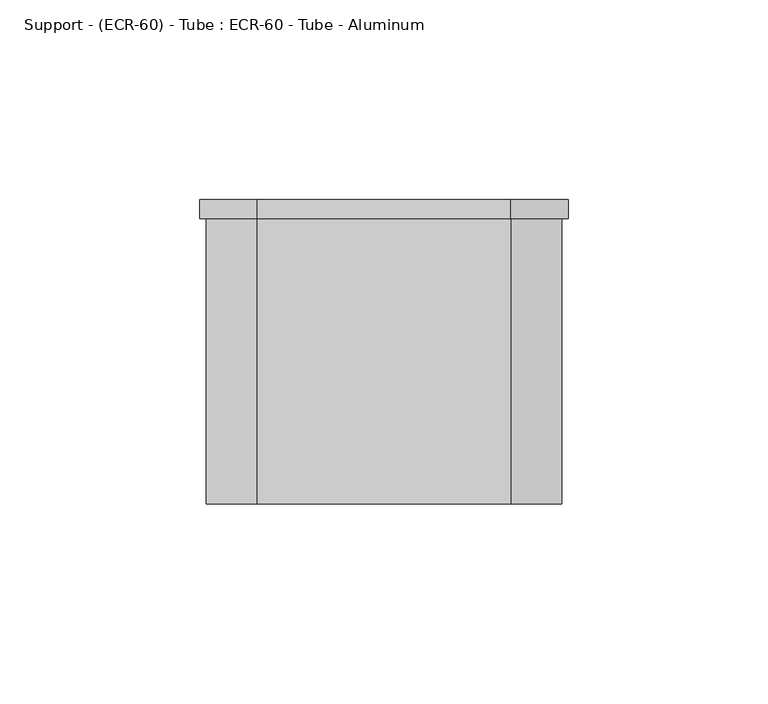
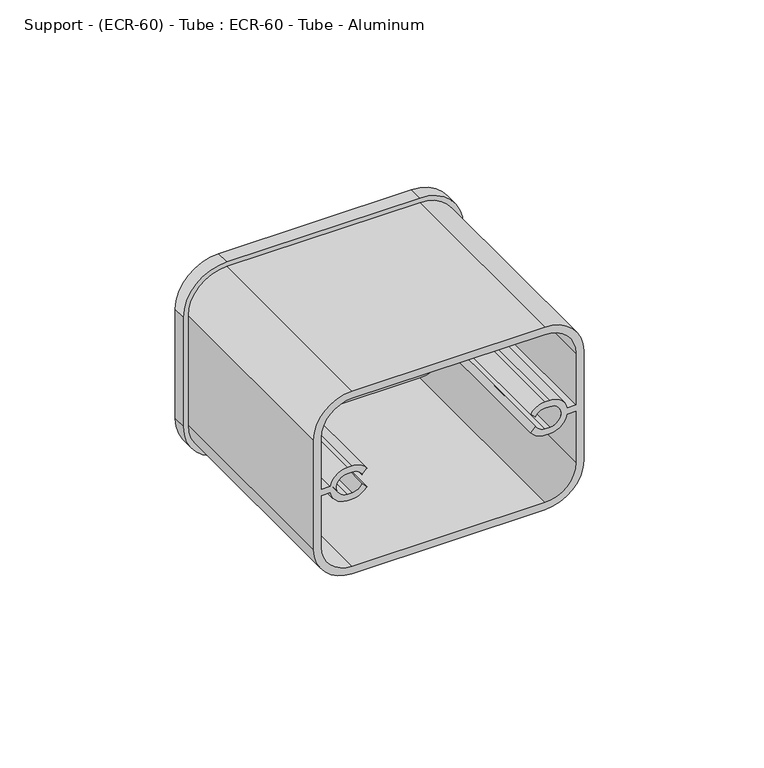
"""IFC4 building model written with IfcOpenShell, lengths in millimetres: proxy geometry, Support - (ECR-60) - Tube : ECR-60 - Tube - Aluminum."""

from ifc_helpers import new_model, si_unit, frame, origin, place, context, project, spatial, polyline, circle_curve, source, transform, mapped, element, save
from ifc_brep_helpers import plane_surface, cylinder_surface, revolved_surface, advanced_brep


def support_ecr_60_tube_ecr_60_tube_aluminum_2877acfb(model_context):
    return source(origin(), model_context, "Body", "AdvancedBrep", [
        advanced_brep(
        [(-46.0375, 74.6125, 44.45), (-31.75, 74.6125, 30.1625), (31.75, 74.6125, 30.1625), (46.0375, 74.6125, 44.45), (46.0375, 74.6125, 82.55), (31.75, 74.6125, 96.8375), (-31.75, 74.6125, 96.8375), (-46.0375, 74.6125, 82.55), (-31.75, 74.6125, 95.25), (31.75, 74.6125, 95.25), (44.45, 74.6125, 82.55), (44.45, 74.6125, 44.45), (31.75, 74.6125, 31.75), (-31.75, 74.6125, 31.75), (-44.45, 74.6125, 44.45), (-44.45, 74.6125, 82.55), (-28.5371259, 74.6125, 65.024), (-28.194, 74.6125, 63.5), (-28.5371259, 74.6125, 61.976), (-26.8620904, 74.6125, 60.3009644), (-31.7503554, 74.6125, 57.658), (-33.290701, 74.6125, 57.6581875), (-39.0665937, 74.6125, 62.357), (-41.8703125, 74.6125, 62.357), (-41.8703125, 74.6125, 44.45), (-31.75, 74.6125, 34.3296875), (31.75, 74.6125, 34.3296875), (41.8703125, 74.6125, 44.45), (41.8703125, 74.6125, 62.357), (39.0665937, 74.6125, 62.357), (33.2919266, 74.6125, 57.658178), (31.7522918, 74.6125, 57.6580001), (26.8620904, 74.6125, 60.3009644), (28.5371259, 74.6125, 61.976), (28.194, 74.6125, 63.5), (28.537126, 74.6125, 65.0240002), (26.8618755, 74.6125, 66.6992504), (31.7480468, 74.6125, 69.3419999), (33.288037, 74.6125, 69.3417903), (39.0665937, 74.6125, 64.643), (41.8703125, 74.6125, 64.643), (41.8703125, 74.6125, 82.55), (31.75, 74.6125, 92.6703125), (-31.75, 74.6125, 92.6703125), (-41.8703125, 74.6125, 82.55), (-41.8703125, 74.6125, 64.643), (-39.0665937, 74.6125, 64.643), (-33.290701, 74.6125, 69.3418125), (-31.7507108, 74.6125, 69.3419999), (-26.8618755, 74.6125, 66.6992504), (-46.0375, 79.2852417, 44.45), (-46.0375, 79.2852417, 82.55), (-31.75, 79.2852417, 96.8375), (31.75, 79.2852417, 96.8375), (46.0375, 79.2852417, 82.55), (46.0375, 79.2852417, 44.45), (31.75, 79.2852417, 30.1625), (-31.75, 79.2852417, 30.1625), (-33.3375, 79.2852417, 59.944), (-31.75, 79.2852417, 59.944), (-28.5371259, 79.2852417, 61.976), (-28.194, 79.2852417, 63.5), (-28.5371259, 79.2852417, 65.024), (-31.75, 79.2852417, 67.056), (-33.3375, 79.2852417, 67.056), (31.75, 79.2852417, 59.944), (33.3375, 79.2852417, 59.944), (33.3375, 79.2852417, 67.056), (31.75, 79.2852417, 67.056), (28.537126, 79.2852417, 65.0240002), (28.194, 79.2852417, 63.5), (28.5371259, 79.2852417, 61.976), (-33.3375, 74.6125, 67.056), (-33.3375, 74.6125, 59.944), (-31.75, 74.6125, 67.056), (-31.75, 3.175, 67.056), (-33.3375, 3.175, 67.056), (-31.75, 74.6125, 59.944), (-33.3375, 3.175, 59.944), (-31.75, 3.175, 59.944), (31.75, 74.6125, 67.056), (33.3375, 74.6125, 67.056), (33.3375002, 3.175, 67.056), (31.7500002, 3.175, 67.056), (33.3375, 74.6125, 59.944), (31.75, 74.6125, 59.944), (31.7500002, 3.175, 59.944), (33.3375002, 3.175, 59.944), (31.75, 3.175, 95.25), (-31.75, 3.175, 95.25), (-44.45, 3.175, 82.55), (-44.45, 3.175, 44.45), (-31.75, 3.175, 31.75), (31.75, 3.175, 31.75), (44.45, 3.175, 44.45), (44.45, 3.175, 82.55), (31.75, 3.175, 92.6703125), (41.8703125, 3.175, 82.55), (41.8703125, 3.175, 64.643), (39.0665937, 3.175, 64.643), (33.288037, 3.175, 69.3417903), (31.7480468, 3.175, 69.3419999), (26.8618755, 3.175, 66.6992504), (28.5371261, 3.175, 65.024), (28.5371259, 3.175, 61.976), (26.8620903, 3.175, 60.3009644), (31.7522918, 3.175, 57.6580001), (33.2919266, 3.175, 57.658178), (39.0665937, 3.175, 62.357), (41.8703125, 3.175, 62.357), (41.8703125, 3.175, 44.45), (31.75, 3.175, 34.3296875), (-31.75, 3.175, 34.3296875), (-41.8703125, 3.175, 44.45), (-41.8703125, 3.175, 62.357), (-39.0665937, 3.175, 62.357), (-33.290701, 3.175, 57.6581875), (-31.7503554, 3.175, 57.658), (-26.8620904, 3.175, 60.3009644), (-28.5371259, 3.175, 61.976), (-28.5371259, 3.175, 65.024), (-26.8618755, 3.175, 66.6992504), (-31.7507108, 3.175, 69.3419999), (-33.290701, 3.175, 69.3418125), (-39.0665937, 3.175, 64.643), (-41.8703125, 3.175, 64.643), (-41.8703125, 3.175, 82.55), (-31.75, 3.175, 92.6703125)],
        [
            (0, 1, circle_curve(frame((-31.75, 74.6125, 44.45), z_axis=(0.0, -1.0, 0.0), x_axis=(1.0, 0.0, 0.0)), 14.2875)),
            (1, 2),
            (2, 3, circle_curve(frame((31.75, 74.6125, 44.45), z_axis=(0.0, -1.0, 0.0), x_axis=(1.0, 0.0, 0.0)), 14.2875)),
            (3, 4),
            (4, 5, circle_curve(frame((31.75, 74.6125, 82.55), z_axis=(0.0, -1.0, 0.0), x_axis=(1.0, 0.0, 0.0)), 14.2875)),
            (5, 6),
            (6, 7, circle_curve(frame((-31.75, 74.6125, 82.55), z_axis=(0.0, -1.0, 0.0), x_axis=(1.0, 0.0, 0.0)), 14.2875)),
            (7, 0),
            (8, 9),
            (9, 10, circle_curve(frame((31.75, 74.6125, 82.55), z_axis=(0.0, 1.0, 0.0), x_axis=(1.0, 0.0, 0.0)), 12.7)),
            (10, 11),
            (11, 12, circle_curve(frame((31.75, 74.6125, 44.45), z_axis=(0.0, 1.0, 0.0), x_axis=(1.0, 0.0, 0.0)), 12.7)),
            (12, 13),
            (13, 14, circle_curve(frame((-31.75, 74.6125, 44.45), z_axis=(0.0, 1.0, 0.0), x_axis=(1.0, 0.0, 0.0)), 12.7)),
            (14, 15),
            (15, 8, circle_curve(frame((-31.75, 74.6125, 82.55), z_axis=(0.0, 1.0, 0.0), x_axis=(1.0, 0.0, 0.0)), 12.7)),
            (16, 17, circle_curve(frame((-31.75, 74.6125, 63.5), z_axis=(0.0, 1.0, 0.0), x_axis=(1.0, 0.0, 0.0)), 3.556)),
            (17, 18, circle_curve(frame((-31.75, 74.6125, 63.5), z_axis=(0.0, 1.0, 0.0), x_axis=(1.0, 0.0, 0.0)), 3.556)),
            (18, 19),
            (19, 20, circle_curve(frame((-31.7503554, 74.6125, 63.5), z_axis=(0.0, 1.0, 0.0), x_axis=(1.0, 0.0, 0.0)), 5.842)),
            (20, 21),
            (21, 22, circle_curve(frame((-33.3375, 74.6125, 63.5), z_axis=(0.0, 1.0, 0.0), x_axis=(1.0, 0.0, 0.0)), 5.842)),
            (22, 23),
            (23, 24),
            (24, 25, circle_curve(frame((-31.75, 74.6125, 44.45), z_axis=(0.0, -1.0, 0.0), x_axis=(1.0, 0.0, 0.0)), 10.1203125)),
            (25, 26),
            (26, 27, circle_curve(frame((31.75, 74.6125, 44.45), z_axis=(0.0, -1.0, 0.0), x_axis=(1.0, 0.0, 0.0)), 10.1203125)),
            (27, 28),
            (28, 29),
            (29, 30, circle_curve(frame((33.3375002, 74.6125, 63.5), z_axis=(0.0, 1.0, 0.0), x_axis=(1.0, 0.0, 0.0)), 5.8419998)),
            (30, 31),
            (31, 32, circle_curve(frame((31.7503556, 74.6125, 63.5), z_axis=(0.0, 1.0, 0.0), x_axis=(1.0, 0.0, 0.0)), 5.8420001)),
            (32, 33),
            (33, 34, circle_curve(frame((31.75, 74.6125, 63.5), z_axis=(0.0, 1.0, 0.0), x_axis=(1.0, 0.0, 0.0)), 3.556)),
            (34, 35, circle_curve(frame((31.75, 74.6125, 63.5), z_axis=(0.0, 1.0, 0.0), x_axis=(1.0, 0.0, 0.0)), 3.556)),
            (35, 36),
            (36, 37, circle_curve(frame((31.7500002, 74.6125, 63.5), z_axis=(0.0, 1.0, 0.0), x_axis=(1.0, 0.0, 0.0)), 5.8420002)),
            (37, 38),
            (38, 39, circle_curve(frame((33.3375002, 74.6125, 63.5), z_axis=(0.0, 1.0, 0.0), x_axis=(1.0, 0.0, 0.0)), 5.8419998)),
            (39, 40),
            (40, 41),
            (41, 42, circle_curve(frame((31.75, 74.6125, 82.55), z_axis=(0.0, -1.0, 0.0), x_axis=(1.0, 0.0, 0.0)), 10.1203125)),
            (42, 43),
            (43, 44, circle_curve(frame((-31.75, 74.6125, 82.55), z_axis=(0.0, -1.0, 0.0), x_axis=(1.0, 0.0, 0.0)), 10.1203125)),
            (44, 45),
            (45, 46),
            (46, 47, circle_curve(frame((-33.3375, 74.6125, 63.5), z_axis=(0.0, 1.0, 0.0), x_axis=(1.0, 0.0, 0.0)), 5.842)),
            (47, 48),
            (48, 49, circle_curve(frame((-31.75, 74.6125, 63.5), z_axis=(0.0, 1.0, 0.0), x_axis=(1.0, 0.0, 0.0)), 5.842)),
            (49, 16),
            (50, 51),
            (51, 52, circle_curve(frame((-31.75, 79.2852417, 82.55), z_axis=(0.0, 1.0, 0.0), x_axis=(1.0, 0.0, 0.0)), 14.2875)),
            (52, 53),
            (53, 54, circle_curve(frame((31.75, 79.2852417, 82.55), z_axis=(0.0, 1.0, 0.0), x_axis=(1.0, 0.0, 0.0)), 14.2875)),
            (54, 55),
            (55, 56, circle_curve(frame((31.75, 79.2852417, 44.45), z_axis=(0.0, 1.0, 0.0), x_axis=(1.0, 0.0, 0.0)), 14.2875)),
            (56, 57),
            (57, 50, circle_curve(frame((-31.75, 79.2852417, 44.45), z_axis=(0.0, 1.0, 0.0), x_axis=(1.0, 0.0, 0.0)), 14.2875)),
            (58, 59),
            (59, 60, circle_curve(frame((-31.75, 79.2852417, 63.5), z_axis=(0.0, -1.0, 0.0), x_axis=(1.0, 0.0, 0.0)), 3.556)),
            (60, 61, circle_curve(frame((-31.75, 79.2852417, 63.5), z_axis=(0.0, -1.0, 0.0), x_axis=(1.0, 0.0, 0.0)), 3.556)),
            (61, 62, circle_curve(frame((-31.75, 79.2852417, 63.5), z_axis=(0.0, -1.0, 0.0), x_axis=(1.0, 0.0, 0.0)), 3.556)),
            (62, 63, circle_curve(frame((-31.75, 79.2852417, 63.5), z_axis=(0.0, -1.0, 0.0), x_axis=(1.0, 0.0, 0.0)), 3.556)),
            (63, 64),
            (64, 58, circle_curve(frame((-33.3375, 79.2852417, 63.5), z_axis=(0.0, -1.0, 0.0), x_axis=(1.0, 0.0, 0.0)), 3.556)),
            (65, 66),
            (66, 67, circle_curve(frame((33.3375, 79.2852417, 63.5), z_axis=(0.0, -1.0, 0.0), x_axis=(1.0, 0.0, 0.0)), 3.556)),
            (67, 68),
            (68, 69, circle_curve(frame((31.75, 79.2852417, 63.5), z_axis=(0.0, -1.0, 0.0), x_axis=(1.0, 0.0, 0.0)), 3.556)),
            (69, 70, circle_curve(frame((31.75, 79.2852417, 63.5), z_axis=(0.0, -1.0, 0.0), x_axis=(1.0, 0.0, 0.0)), 3.556)),
            (70, 71, circle_curve(frame((31.75, 79.2852417, 63.5), z_axis=(0.0, -1.0, 0.0), x_axis=(1.0, 0.0, 0.0)), 3.556)),
            (71, 65, circle_curve(frame((31.75, 79.2852417, 63.5), z_axis=(0.0, -1.0, 0.0), x_axis=(1.0, 0.0, 0.0)), 3.556)),
            (0, 50),
            (57, 1),
            (56, 2),
            (55, 3),
            (54, 4),
            (53, 5),
            (52, 6),
            (51, 7),
            (64, 72),
            (72, 73, circle_curve(frame((-33.3375, 74.6125, 63.5), z_axis=(0.0, -1.0, 0.0), x_axis=(1.0, 0.0, 0.0)), 3.556)),
            (73, 58),
            (63, 74),
            (74, 75),
            (75, 76),
            (76, 72),
            (61, 17),
            (16, 74, circle_curve(frame((-31.75, 74.6125, 63.5), z_axis=(0.0, -1.0, 0.0), x_axis=(1.0, 0.0, 0.0)), 3.556)),
            (59, 77),
            (77, 18, circle_curve(frame((-31.75, 74.6125, 63.5), z_axis=(0.0, -1.0, 0.0), x_axis=(1.0, 0.0, 0.0)), 3.556)),
            (73, 78),
            (78, 79),
            (79, 77),
            (34, 70),
            (68, 80),
            (80, 35, circle_curve(frame((31.75, 74.6125, 63.5), z_axis=(0.0, -1.0, 0.0), x_axis=(1.0, 0.0, 0.0)), 3.556)),
            (67, 81),
            (81, 82),
            (82, 83),
            (83, 80),
            (66, 84),
            (84, 81, circle_curve(frame((33.3375, 74.6125, 63.5), z_axis=(0.0, -1.0, 0.0), x_axis=(1.0, 0.0, 0.0)), 3.556)),
            (65, 85),
            (85, 86),
            (86, 87),
            (87, 84),
            (33, 85, circle_curve(frame((31.75, 74.6125, 63.5), z_axis=(0.0, -1.0, 0.0), x_axis=(1.0, 0.0, 0.0)), 3.556)),
            (88, 89),
            (89, 90, circle_curve(frame((-31.75, 3.175, 82.55), z_axis=(0.0, -1.0, 0.0), x_axis=(1.0, 0.0, 0.0)), 12.7)),
            (90, 91),
            (91, 92, circle_curve(frame((-31.75, 3.175, 44.45), z_axis=(0.0, -1.0, 0.0), x_axis=(1.0, 0.0, 0.0)), 12.7)),
            (92, 93),
            (93, 94, circle_curve(frame((31.75, 3.175, 44.45), z_axis=(0.0, -1.0, 0.0), x_axis=(1.0, 0.0, 0.0)), 12.7)),
            (94, 95),
            (95, 88, circle_curve(frame((31.75, 3.175, 82.55), z_axis=(0.0, -1.0, 0.0), x_axis=(1.0, 0.0, 0.0)), 12.7)),
            (96, 97, circle_curve(frame((31.75, 3.175, 82.55), z_axis=(0.0, 1.0, 0.0), x_axis=(1.0, 0.0, 0.0)), 10.1203125)),
            (97, 98),
            (98, 99),
            (99, 100, circle_curve(frame((33.3375002, 3.175, 63.5), z_axis=(0.0, -1.0, 0.0), x_axis=(1.0, 0.0, 0.0)), 5.8419998)),
            (100, 101),
            (101, 102, circle_curve(frame((31.7500002, 3.175, 63.5), z_axis=(0.0, -1.0, 0.0), x_axis=(1.0, 0.0, 0.0)), 5.8420002)),
            (102, 103),
            (103, 83, circle_curve(frame((31.7500002, 3.175, 63.5), z_axis=(0.0, 1.0, 0.0), x_axis=(1.0, 0.0, 0.0)), 3.556)),
            (82, 87, circle_curve(frame((33.3375002, 3.175, 63.5), z_axis=(0.0, 1.0, 0.0), x_axis=(1.0, 0.0, 0.0)), 3.5560001)),
            (86, 104, circle_curve(frame((31.7500002, 3.175, 63.5), z_axis=(0.0, 1.0, 0.0), x_axis=(1.0, 0.0, 0.0)), 3.5560002)),
            (104, 105),
            (105, 106, circle_curve(frame((31.7503556, 3.175, 63.5), z_axis=(0.0, -1.0, 0.0), x_axis=(1.0, 0.0, 0.0)), 5.8420001)),
            (106, 107),
            (107, 108, circle_curve(frame((33.3375002, 3.175, 63.5), z_axis=(0.0, -1.0, 0.0), x_axis=(1.0, 0.0, 0.0)), 5.8419998)),
            (108, 109),
            (109, 110),
            (110, 111, circle_curve(frame((31.75, 3.175, 44.45), z_axis=(0.0, 1.0, 0.0), x_axis=(1.0, 0.0, 0.0)), 10.1203125)),
            (111, 112),
            (112, 113, circle_curve(frame((-31.75, 3.175, 44.45), z_axis=(0.0, 1.0, 0.0), x_axis=(1.0, 0.0, 0.0)), 10.1203125)),
            (113, 114),
            (114, 115),
            (115, 116, circle_curve(frame((-33.3375, 3.175, 63.5), z_axis=(0.0, -1.0, 0.0), x_axis=(1.0, 0.0, 0.0)), 5.842)),
            (116, 117),
            (117, 118, circle_curve(frame((-31.7503554, 3.175, 63.5), z_axis=(0.0, -1.0, 0.0), x_axis=(1.0, 0.0, 0.0)), 5.842)),
            (118, 119),
            (119, 79, circle_curve(frame((-31.75, 3.175, 63.5), z_axis=(0.0, 1.0, 0.0), x_axis=(1.0, 0.0, 0.0)), 3.556)),
            (78, 76, circle_curve(frame((-33.3375, 3.175, 63.5), z_axis=(0.0, 1.0, 0.0), x_axis=(1.0, 0.0, 0.0)), 3.556)),
            (75, 120, circle_curve(frame((-31.75, 3.175, 63.5), z_axis=(0.0, 1.0, 0.0), x_axis=(1.0, 0.0, 0.0)), 3.556)),
            (120, 121),
            (121, 122, circle_curve(frame((-31.75, 3.175, 63.5), z_axis=(0.0, -1.0, 0.0), x_axis=(1.0, 0.0, 0.0)), 5.842)),
            (122, 123),
            (123, 124, circle_curve(frame((-33.3375, 3.175, 63.5), z_axis=(0.0, -1.0, 0.0), x_axis=(1.0, 0.0, 0.0)), 5.842)),
            (124, 125),
            (125, 126),
            (126, 127, circle_curve(frame((-31.75, 3.175, 82.55), z_axis=(0.0, 1.0, 0.0), x_axis=(1.0, 0.0, 0.0)), 10.1203125)),
            (127, 96),
            (88, 9),
            (8, 89),
            (15, 90),
            (14, 91),
            (13, 92),
            (12, 93),
            (11, 94),
            (10, 95),
            (96, 42),
            (41, 97),
            (40, 98),
            (110, 27),
            (26, 111),
            (25, 112),
            (24, 113),
            (23, 114),
            (126, 44),
            (43, 127),
            (39, 99),
            (38, 100),
            (37, 101),
            (36, 102),
            (35, 103),
            (33, 104),
            (32, 105),
            (31, 106),
            (30, 107),
            (29, 108),
            (28, 109),
            (22, 115),
            (21, 116),
            (20, 117),
            (19, 118),
            (18, 119),
            (16, 120),
            (49, 121),
            (48, 122),
            (47, 123),
            (46, 124),
            (45, 125),
        ],
        [
            plane_surface(frame((-17.4625, 74.6125, 44.45), z_axis=(0.0, -1.0, 0.0), x_axis=(0.0, 0.0, 1.0))),
            plane_surface(frame((-17.4625, 79.2852417, 44.45), z_axis=(0.0, 1.0, 0.0), x_axis=(0.0, 0.0, -1.0))),
            cylinder_surface(frame((-31.75, 79.2852417, 44.45), z_axis=(0.0, -1.0, 0.0), x_axis=(1.0, 0.0, 0.0)), 14.2875),
            plane_surface(frame((-31.75, 74.6125, 30.1625), z_axis=(0.0, 0.0, -1.0), x_axis=(0.0, 1.0, 0.0))),
            cylinder_surface(frame((31.75, 79.2852417, 44.45), z_axis=(0.0, -1.0, 0.0), x_axis=(1.0, 0.0, 0.0)), 14.2875),
            plane_surface(frame((46.0375, 74.6125, 44.45), z_axis=(1.0, 0.0, 0.0), x_axis=(0.0, 1.0, 0.0))),
            cylinder_surface(frame((31.75, 79.2852417, 82.55), z_axis=(0.0, -1.0, 0.0), x_axis=(1.0, 0.0, 0.0)), 14.2875),
            plane_surface(frame((31.75, 74.6125, 96.8375), z_axis=(0.0, 0.0, 1.0), x_axis=(0.0, 1.0, 0.0))),
            cylinder_surface(frame((-31.75, 79.2852417, 82.55), z_axis=(0.0, -1.0, 0.0), x_axis=(1.0, 0.0, 0.0)), 14.2875),
            plane_surface(frame((-46.0375, 74.6125, 82.55), z_axis=(-1.0, 0.0, 0.0), x_axis=(0.0, 1.0, 0.0))),
            revolved_surface(polyline([(-29.781499999999998, 79.2852417, 63.5), (-29.781499999999998, 74.6125, 63.5)]), (-33.3375, 0.0, 63.5), (0.0, 1.0, 0.0)),
            plane_surface(frame((-33.3375, 74.6125, 67.056), z_axis=(0.0, 0.0, -1.0), x_axis=(0.0, 1.0, 0.0))),
            revolved_surface(polyline([(-28.194, 79.2852417, 63.5), (-28.194, 74.6125, 63.5)]), (-31.75, 0.0, 63.5), (0.0, 1.0, 0.0)),
            plane_surface(frame((-31.75, 74.6125, 59.944), z_axis=(0.0, 0.0, 1.0), x_axis=(0.0, 1.0, 0.0))),
            revolved_surface(polyline([(35.306, 79.2852417, 63.5), (35.306, 74.6125, 63.5)]), (31.75, 0.0, 63.5), (0.0, 1.0, 0.0)),
            plane_surface(frame((31.75, 74.6125, 67.056), z_axis=(0.0, 0.0, -1.0), x_axis=(0.0, 1.0, 0.0))),
            revolved_surface(polyline([(36.893499999999996, 79.2852417, 63.5), (36.893499999999996, 74.6125, 63.5)]), (33.3375, 0.0, 63.5), (0.0, 1.0, 0.0)),
            plane_surface(frame((33.3375, 74.6125, 59.944), z_axis=(0.0, 0.0, 1.0), x_axis=(0.0, 1.0, 0.0))),
            plane_surface(frame((-31.75, 3.175, 95.25), z_axis=(0.0, -1.0, 0.0), x_axis=(-1.0, 0.0, 0.0))),
            plane_surface(frame((31.75, 3.175, 95.25), z_axis=(0.0, 0.0, 1.0), x_axis=(0.0, 1.0, 0.0))),
            cylinder_surface(frame((-31.75, 79.2852417, 82.55), z_axis=(0.0, -1.0, 0.0), x_axis=(1.0, 0.0, 0.0)), 12.7),
            plane_surface(frame((-44.45, 3.175, 82.55), z_axis=(-1.0, 0.0, 0.0), x_axis=(0.0, 1.0, 0.0))),
            cylinder_surface(frame((-31.75, 79.2852417, 44.45), z_axis=(0.0, -1.0, 0.0), x_axis=(1.0, 0.0, 0.0)), 12.7),
            plane_surface(frame((-31.75, 3.175, 31.75), z_axis=(0.0, 0.0, -1.0), x_axis=(0.0, 1.0, 0.0))),
            cylinder_surface(frame((31.75, 79.2852417, 44.45), z_axis=(0.0, -1.0, 0.0), x_axis=(1.0, 0.0, 0.0)), 12.7),
            plane_surface(frame((44.45, 3.175, 44.45), z_axis=(1.0, 0.0, 0.0), x_axis=(0.0, 1.0, 0.0))),
            cylinder_surface(frame((31.75, 79.2852417, 82.55), z_axis=(0.0, -1.0, 0.0), x_axis=(1.0, 0.0, 0.0)), 12.7),
            revolved_surface(polyline([(41.8703125, 74.6125, 82.55), (41.8703125, 3.175, 82.55)]), (31.75, 0.0, 82.55), (0.0, 1.0, 0.0)),
            plane_surface(frame((41.8703125, 3.175, 82.55), z_axis=(-1.0, 0.0, 0.0), x_axis=(0.0, 1.0, 0.0))),
            revolved_surface(polyline([(41.8703125, 74.6125, 44.45), (41.8703125, 3.175, 44.45)]), (31.75, 0.0, 44.45), (0.0, 1.0, 0.0)),
            plane_surface(frame((31.75, 3.175, 34.3296875), z_axis=(0.0, 0.0, 1.0), x_axis=(0.0, 1.0, 0.0))),
            revolved_surface(polyline([(-21.6296875, 74.6125, 44.45), (-21.6296875, 3.175, 44.45)]), (-31.75, 0.0, 44.45), (0.0, 1.0, 0.0)),
            plane_surface(frame((-41.8703125, 3.175, 44.45), z_axis=(1.0, 0.0, 0.0), x_axis=(0.0, 1.0, 0.0))),
            revolved_surface(polyline([(-21.6296875, 74.6125, 82.55), (-21.6296875, 3.175, 82.55)]), (-31.75, 0.0, 82.55), (0.0, 1.0, 0.0)),
            plane_surface(frame((-31.75, 3.175, 92.6703125), z_axis=(0.0, 0.0, -1.0), x_axis=(0.0, 1.0, 0.0))),
            plane_surface(frame((41.8703125, 3.175, 64.643), z_axis=(0.0, 0.0, 1.0), x_axis=(0.0, 1.0, 0.0))),
            cylinder_surface(frame((33.3375002, 0.0, 63.5), z_axis=(0.0, -1.0, 0.0), x_axis=(1.0, 0.0, 0.0)), 5.8419998),
            plane_surface(frame((33.288037, 3.175, 69.3417903), z_axis=(0.00013609302160510377, 0.0, 0.9999999907393448), x_axis=(0.0, 1.0, 0.0))),
            cylinder_surface(frame((31.7500002, 0.0, 63.5), z_axis=(0.0, -1.0, 0.0), x_axis=(1.0, 0.0, 0.0)), 5.8420002),
            plane_surface(frame((26.8618755, 3.175, 66.6992504), z_axis=(-0.7071067283650488, 0.0, -0.7071068340080423), x_axis=(0.0, 1.0, 0.0))),
            revolved_surface(polyline([(35.3060002, 74.6125, 63.5), (35.3060002, 3.175, 63.5)]), (31.7500002, 0.0, 63.5), (0.0, 1.0, 0.0)),
            revolved_surface(polyline([(36.8935003, 74.6125, 63.5), (36.8935003, 3.175, 63.5)]), (33.3375002, 0.0, 63.5), (0.0, 1.0, 0.0)),
            revolved_surface(polyline([(35.3060004, 74.6125, 63.5), (35.3060004, 3.175, 63.5)]), (31.7500002, 0.0, 63.5), (0.0, 1.0, 0.0)),
            plane_surface(frame((28.5371259, 3.175, 61.976), z_axis=(-0.7071067748684569, 0.0, 0.7071067875046381), x_axis=(0.0, 1.0, 0.0))),
            cylinder_surface(frame((31.7503556, 0.0, 63.5), z_axis=(0.0, -1.0, 0.0), x_axis=(1.0, 0.0, 0.0)), 5.8420001),
            plane_surface(frame((31.7522918, 3.175, 57.6580001), z_axis=(0.00011551477782100601, 0.0, -0.9999999933281681), x_axis=(0.0, 1.0, 0.0))),
            plane_surface(frame((39.0665937, 3.175, 62.357), z_axis=(0.0, 0.0, -1.0), x_axis=(0.0, 1.0, 0.0))),
            plane_surface(frame((41.8703125, 3.175, 62.357), z_axis=(-1.0, 0.0, 0.0), x_axis=(0.0, 1.0, 0.0))),
            plane_surface(frame((-41.8703125, 3.175, 62.357), z_axis=(0.0, 0.0, -1.0), x_axis=(0.0, 1.0, 0.0))),
            cylinder_surface(frame((-33.3375, 0.0, 63.5), z_axis=(0.0, -1.0, 0.0), x_axis=(1.0, 0.0, 0.0)), 5.842),
            plane_surface(frame((-33.290701, 3.175, 57.6581875), z_axis=(-0.0001216661832780704, 0.0, -0.9999999925986699), x_axis=(0.0, 1.0, 0.0))),
            cylinder_surface(frame((-31.7503554, 0.0, 63.5), z_axis=(0.0, -1.0, 0.0), x_axis=(1.0, 0.0, 0.0)), 5.842),
            plane_surface(frame((-26.8620904, 3.175, 60.3009644), z_axis=(0.707106786148159, 0.0, 0.707106776224936), x_axis=(0.0, 1.0, 0.0))),
            revolved_surface(polyline([(-28.194, 74.6125, 63.5), (-28.194, 3.175, 63.5)]), (-31.75, 0.0, 63.5), (0.0, 1.0, 0.0)),
            revolved_surface(polyline([(-29.781499999999998, 74.6125, 63.5), (-29.781499999999998, 3.175, 63.5)]), (-33.3375, 0.0, 63.5), (0.0, 1.0, 0.0)),
            plane_surface(frame((-28.5371259, 3.175, 65.024), z_axis=(0.7071067811865448, 0.0, -0.7071067811865502), x_axis=(0.0, 1.0, 0.0))),
            cylinder_surface(frame((-31.75, 0.0, 63.5), z_axis=(0.0, -1.0, 0.0), x_axis=(1.0, 0.0, 0.0)), 5.842),
            plane_surface(frame((-31.7507108, 3.175, 69.3419999), z_axis=(-0.00012167986755086268, 0.0, 0.9999999925970049), x_axis=(0.0, 1.0, 0.0))),
            plane_surface(frame((-39.0665937, 3.175, 64.643), z_axis=(1.3246320925698996e-12, 0.0, 1.0), x_axis=(0.0, 1.0, 0.0))),
            plane_surface(frame((-41.8703125, 3.175, 64.643), z_axis=(1.0, 0.0, 0.0), x_axis=(0.0, 1.0, 0.0))),
        ],
        [
            (0, [[1, 2, 3, 4, 5, 6, 7, 8], [9, 10, 11, 12, 13, 14, 15, 16]]),
            (0, [[17, 18, 19, 20, 21, 22, 23, 24, 25, 26, 27, 28, 29, 30, 31, 32, 33, 34, 35, 36, 37, 38, 39, 40, 41, 42, 43, 44, 45, 46, 47, 48, 49, 50]]),
            (1, [[51, 52, 53, 54, 55, 56, 57, 58], [59, 60, 61, 62, 63, 64, 65], [66, 67, 68, 69, 70, 71, 72]]),
            (2, [[-1, 73, -58, 74]]),
            (3, [[-2, -74, -57, 75]]),
            (4, [[-3, -75, -56, 76]]),
            (5, [[-4, -76, -55, 77]]),
            (6, [[-5, -77, -54, 78]]),
            (7, [[-6, -78, -53, 79]]),
            (8, [[-7, -79, -52, 80]]),
            (9, [[-8, -80, -51, -73]]),
            (10, [[-65, 81, 82, 83]]),
            (11, [[-64, 84, 85, 86, 87, -81]]),
            (12, [[-84, -63, -62, 88, -17, 89]]),
            (12, [[-88, -61, -60, 90, 91, -18]]),
            (13, [[-59, -83, 92, 93, 94, -90]]),
            (14, [[95, -70, -69, 96, 97, -35]]),
            (15, [[-68, 98, 99, 100, 101, -96]]),
            (16, [[-67, 102, 103, -98]]),
            (17, [[-66, 104, 105, 106, 107, -102]]),
            (14, [[-95, -34, 108, -104, -72, -71]]),
            (18, [[109, 110, 111, 112, 113, 114, 115, 116], [117, 118, 119, 120, 121, 122, 123, 124, -100, 125, -106, 126, 127, 128, 129, 130, 131, 132, 133, 134, 135, 136, 137, 138, 139, 140, 141, 142, -93, 143, -86, 144, 145, 146, 147, 148, 149, 150, 151, 152]]),
            (19, [[-109, 153, -9, 154]]),
            (20, [[-110, -154, -16, 155]]),
            (21, [[-111, -155, -15, 156]]),
            (22, [[-112, -156, -14, 157]]),
            (23, [[-113, -157, -13, 158]]),
            (24, [[-114, -158, -12, 159]]),
            (25, [[-115, -159, -11, 160]]),
            (26, [[-116, -160, -10, -153]]),
            (27, [[-117, 161, -42, 162]]),
            (28, [[-118, -162, -41, 163]]),
            (29, [[-133, 164, -27, 165]]),
            (30, [[-134, -165, -26, 166]]),
            (31, [[-135, -166, -25, 167]]),
            (32, [[-136, -167, -24, 168]]),
            (33, [[-151, 169, -44, 170]]),
            (34, [[-152, -170, -43, -161]]),
            (35, [[-119, -163, -40, 171]]),
            (36, [[-120, -171, -39, 172]]),
            (37, [[-121, -172, -38, 173]]),
            (38, [[-122, -173, -37, 174]]),
            (39, [[-123, -174, -36, 175]]),
            (40, [[-124, -175, -97, -101]]),
            (41, [[-125, -99, -103, -107]]),
            (42, [[-126, -105, -108, 176]]),
            (43, [[-127, -176, -33, 177]]),
            (44, [[-128, -177, -32, 178]]),
            (45, [[-129, -178, -31, 179]]),
            (36, [[-130, -179, -30, 180]]),
            (46, [[-131, -180, -29, 181]]),
            (47, [[-132, -181, -28, -164]]),
            (48, [[-137, -168, -23, 182]]),
            (49, [[-138, -182, -22, 183]]),
            (50, [[-139, -183, -21, 184]]),
            (51, [[-140, -184, -20, 185]]),
            (52, [[-141, -185, -19, 186]]),
            (53, [[-142, -186, -91, -94]]),
            (54, [[-143, -92, -82, -87]]),
            (53, [[-144, -85, -89, 187]]),
            (55, [[-145, -187, -50, 188]]),
            (56, [[-146, -188, -49, 189]]),
            (57, [[-147, -189, -48, 190]]),
            (49, [[-148, -190, -47, 191]]),
            (58, [[-149, -191, -46, 192]]),
            (59, [[-150, -192, -45, -169]]),
        ],
    ),
    ])


if __name__ == "__main__":
    model = new_model("IFC4")
    model_context = context("Model", 3, world=origin())
    ifc_project = project(units=[si_unit("LENGTHUNIT", "METRE", prefix="MILLI")], contexts=[model_context])
    site = spatial("IfcSite", under=ifc_project)
    building = spatial("IfcBuilding", under=site)
    placement = place(None, origin())
    support_ecr_60_tube_ecr_60_tube_aluminum_shape = support_ecr_60_tube_ecr_60_tube_aluminum_2877acfb(model_context)
    element("IfcBuildingElementProxy", 1, Name="Support - (ECR-60) - Tube : ECR-60 - Tube - Aluminum", ObjectType="Support - (ECR-60) - Tube : ECR-60 - Tube - Aluminum", at=placement, inside=building, context=model_context, shape_type="MappedRepresentation", body=[
        mapped(support_ecr_60_tube_ecr_60_tube_aluminum_shape, transform((0.0, 0.0, 0.0), x_axis=(1.0, 0.0, 0.0), y_axis=(0.0, 1.0, 0.0), z_axis=(0.0, 0.0, 1.0))),
    ])
    save(model, "model.ifc")
